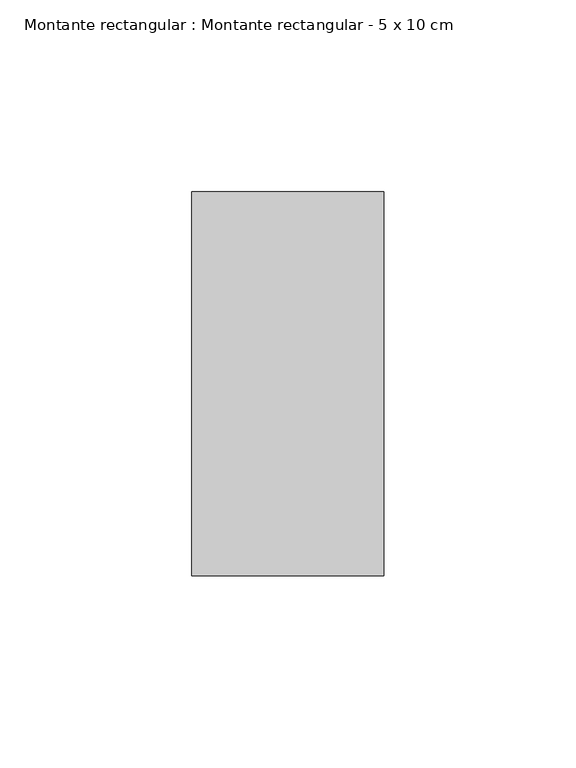
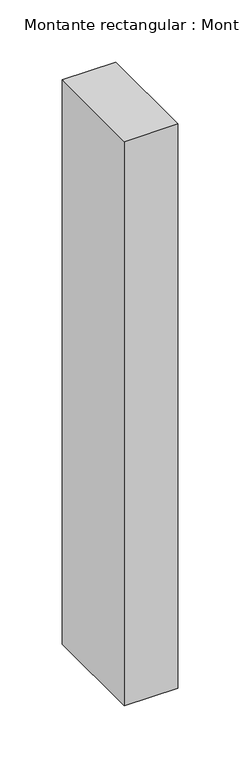
"""IFC4 building model written with IfcOpenShell, lengths in millimetres: member geometry, Montante rectangular : Montante rectangular - 5 x 10 cm."""

from ifc_helpers import new_model, si_unit, frame, origin, place, context, project, spatial, polyline, outline, extrude, source, transform, mapped, element, save


def montante_rectangular_montante_rectangular_5_x_10_cm_40fe8039(model_context):
    return source(origin(), model_context, "Body", "SweptSolid", [
        extrude(outline(polyline([(25.0, 50.0), (25.0, -50.0), (-25.0, -50.0), (-25.0, 50.0), (25.0, 50.0)])), frame((0.0, 0.0, -555.0197469), z_axis=(0.0, 0.0, 1.0), x_axis=(1.0, 0.0, 0.0)), (0.0, 0.0, 1.0), 555.0197469),
    ])


if __name__ == "__main__":
    model = new_model("IFC4")
    model_context = context("Model", 3, world=origin())
    ifc_project = project(units=[si_unit("LENGTHUNIT", "METRE", prefix="MILLI")], contexts=[model_context])
    site = spatial("IfcSite", under=ifc_project)
    building = spatial("IfcBuilding", under=site)
    placement = place(None, origin())
    montante_rectangular_montante_rectangular_5_x_10_cm_shape = montante_rectangular_montante_rectangular_5_x_10_cm_40fe8039(model_context)
    element("IfcMember", 1, ObjectType="Montante rectangular : Montante rectangular - 5 x 10 cm", at=placement, inside=building, context=model_context, shape_type="MappedRepresentation", body=[
        mapped(montante_rectangular_montante_rectangular_5_x_10_cm_shape, transform((0.0, 0.0, 0.0), x_axis=(1.0, 0.0, 0.0), y_axis=(0.0, 1.0, 0.0), z_axis=(0.0, 0.0, 1.0))),
    ])
    save(model, "model.ifc")
